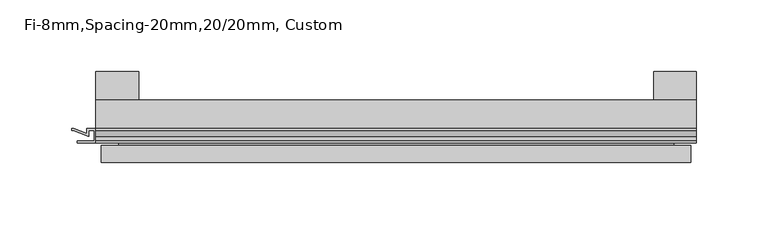
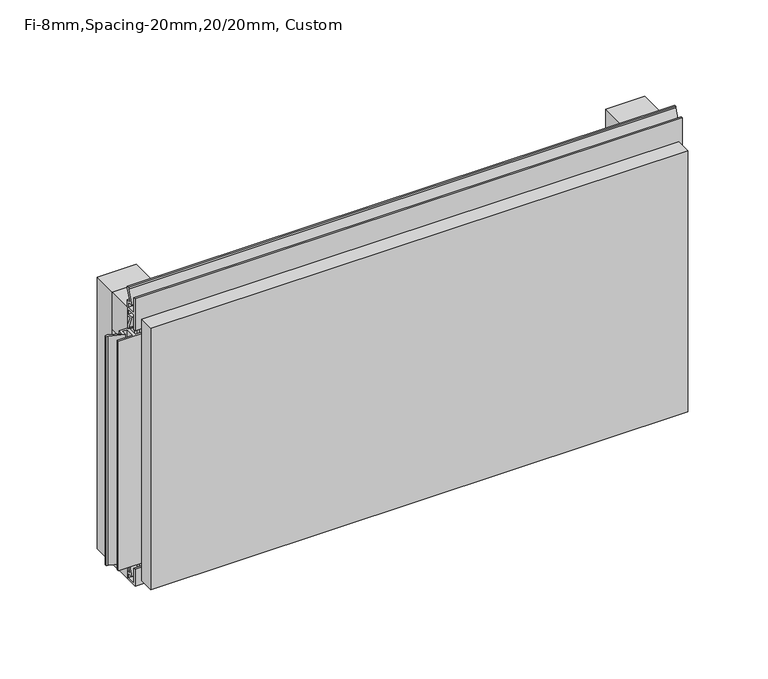
"""IFC4 building model written with IfcOpenShell, lengths in millimetres: plate geometry, Fi-8mm,Spacing-20mm,20/20mm, Custom."""

from ifc_helpers import new_model, si_unit, frame, origin, origin_with_axes, place, context, project, spatial, polyline, outline, extrude, faceted_brep, source, transform, mapped, element, save


def fi_8mm_spacing_20mm_20_20mm_custom_ae6671e1(model_context):
    return source(origin(), model_context, "Body", "SolidModel", [
        extrude(outline(polyline([(-210.0, -40.0), (-210.0, -20.0), (210.0, -20.0), (210.0, -40.0), (-210.0, -40.0)])), frame((0.0, 0.0, 190.0), z_axis=(0.0, 0.0, 1.0), x_axis=(1.0, 0.0, 0.0)), (0.0, 0.0, 1.0), 30.0),
        extrude(outline(polyline([(-210.0, -40.0), (-210.0, -20.0), (210.0, -20.0), (210.0, -40.0), (-210.0, -40.0)])), origin_with_axes(), (0.0, 0.0, 1.0), 30.0),
        extrude(outline(polyline([(180.0, 0.0), (210.0, 0.0), (210.0, -20.0), (180.0, -20.0), (180.0, 0.0)])), origin_with_axes(), (0.0, 0.0, 1.0), 220.0),
        extrude(outline(polyline([(-180.0, 0.0), (-180.0, -20.0), (-210.0, -20.0), (-210.0, 0.0), (-180.0, 0.0)])), origin_with_axes(), (0.0, 0.0, 1.0), 220.0),
        extrude(outline(polyline([(-40.0, 6.299084), (-40.0, 0.0), (-50.1, 0.0), (-50.1, 13.4156807), (-48.7, 13.4156807), (-48.7, 1.4156807), (-41.4, 1.4156807), (-41.4, 4.899084), (-45.5140545, 4.899084), (-41.4553267, 15.5703394), (-41.4553267, 22.991548), (-40.0553267, 22.991548), (-40.0553267, 15.3558599), (-43.5, 6.299084), (-40.0, 6.299084)])), frame((-210.0, 0.0, 0.0), z_axis=(1.0, 0.0, 0.0), x_axis=(0.0, 1.0, 0.0)), (0.0, 0.0, 1.0), 420.0),
        extrude(outline(polyline([(-210.899084, -48.7), (-210.899084, -41.4), (-214.899084, -41.4), (-214.899084, -45.5140545), (-225.5703394, -41.4553267), (-226.9558599, -41.4553267), (-226.9558599, -40.0553267), (-225.3558599, -40.0553267), (-216.299084, -43.5), (-216.299084, -40.0), (-203.700916, -40.0), (-203.700916, -43.5), (-194.6441401, -40.0553267), (-193.0441401, -40.0553267), (-193.0441401, -41.4553267), (-194.4296606, -41.4553267), (-205.100916, -45.5140545), (-205.100916, -41.4), (-209.100916, -41.4), (-209.100916, -48.7), (-197.100916, -48.7), (-197.100916, -50.1), (-222.899084, -50.1), (-222.899084, -48.7), (-210.899084, -48.7)])), frame((0.0, 0.0, 16.9558599), z_axis=(0.0, 0.0, 1.0), x_axis=(1.0, 0.0, 0.0)), (0.0, 0.0, 1.0), 186.0882802),
        extrude(outline(polyline([(-48.7, 220.899084), (-41.4, 220.899084), (-41.4, 224.899084), (-45.5140545, 224.899084), (-41.4553267, 235.5703394), (-41.4553267, 236.9558599), (-40.0553267, 236.9558599), (-40.0553267, 235.3558599), (-43.5, 226.299084), (-40.0, 226.299084), (-40.0, 213.700916), (-43.5, 213.700916), (-40.0553267, 204.6441401), (-40.0553267, 203.0441401), (-41.4553267, 203.0441401), (-41.4553267, 204.4296606), (-45.5140545, 215.100916), (-41.4, 215.100916), (-41.4, 219.100916), (-48.7, 219.100916), (-48.7, 207.100916), (-50.1, 207.100916), (-50.1, 232.899084), (-48.7, 232.899084), (-48.7, 220.899084)])), frame((-210.0, 0.0, 0.0), z_axis=(1.0, 0.0, 0.0), x_axis=(0.0, 1.0, 0.0)), (0.0, 0.0, 1.0), 420.0),
        faceted_brep([(206.0, -45.9, 216.0), (-206.0, -45.9, 216.0), (-206.0, -48.7, 216.0), (206.0, -48.7, 216.0), (-206.0, -63.9, 216.0), (206.0, -63.9, 216.0), (206.0, -51.9, 216.0), (-206.0, -51.9, 216.0), (-206.0, -45.9, 4.0), (206.0, -45.9, 4.0), (206.0, -48.7, 4.0), (-206.0, -48.7, 4.0), (206.0, -63.9, 4.0), (-206.0, -63.9, 4.0), (-206.0, -51.9, 4.0), (206.0, -51.9, 4.0), (194.0, -51.9, 204.0), (194.0, -51.9, 16.0), (194.0, -48.7, 16.0), (194.0, -48.7, 204.0), (-194.0, -51.9, 16.0), (-194.0, -48.7, 16.0), (-194.0, -51.9, 204.0), (-194.0, -48.7, 204.0)], [[[0, 1, 2, 3]], [[4, 5, 6, 7]], [[8, 9, 10, 11]], [[12, 13, 14, 15]], [[1, 0, 9, 8]], [[1, 8, 11, 2]], [[13, 4, 7, 14]], [[5, 4, 13, 12]], [[9, 0, 3, 10]], [[5, 12, 15, 6]], [[16, 17, 18, 19]], [[18, 17, 20, 21]], [[21, 20, 22, 23]], [[16, 19, 23, 22]], [[7, 6, 15, 14], [17, 16, 22, 20]], [[3, 2, 11, 10], [19, 18, 21, 23]]]),
    ])


if __name__ == "__main__":
    model = new_model("IFC4")
    model_context = context("Model", 3, world=origin())
    ifc_project = project(units=[si_unit("LENGTHUNIT", "METRE", prefix="MILLI")], contexts=[model_context])
    site = spatial("IfcSite", under=ifc_project)
    building = spatial("IfcBuilding", under=site)
    placement = place(None, origin())
    fi_8mm_spacing_20mm_20_20mm_custom_shape = fi_8mm_spacing_20mm_20_20mm_custom_ae6671e1(model_context)
    element("IfcPlate", 1, ObjectType="Fi-8mm,Spacing-20mm,20/20mm, Custom", at=placement, inside=building, context=model_context, shape_type="MappedRepresentation", body=[
        mapped(fi_8mm_spacing_20mm_20_20mm_custom_shape, transform((0.0, 0.0, 0.0), x_axis=(1.0, 0.0, 0.0), y_axis=(0.0, 1.0, 0.0), z_axis=(0.0, 0.0, 1.0))),
    ])
    save(model, "model.ifc")
